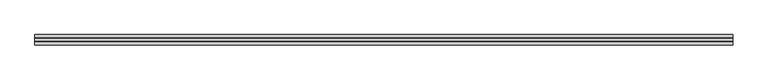
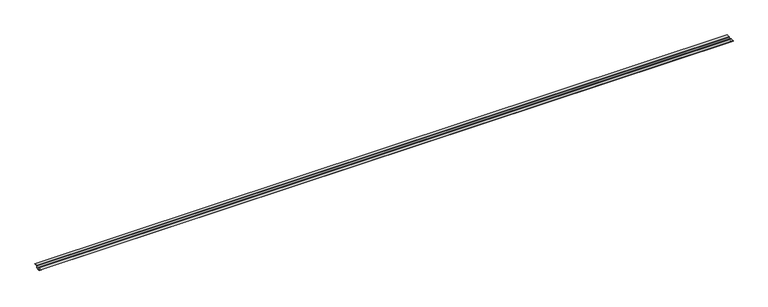
"""IFC4 building model written with IfcOpenShell, lengths in millimetres: proxy geometry."""

from ifc_helpers import new_model, si_unit, point, frame, frame_2d, origin, place, context, project, spatial, polyline, circle_curve, trimmed, segment, composite_curve, outline, extrude, source, transform, mapped, element, save


def generic_models_8d6c43e8(model_context):
    return source(origin(), model_context, "Body", "SweptSolid", [
        extrude(outline(composite_curve([segment(trimmed(circle_curve(frame_2d((-5.6375282, 0.3624718)), 0.6375282), [point((-5.6375282, 1.0))], [point((-5.0, 0.3624718))], False, "CARTESIAN"), True, "CONTINUOUS"), segment(polyline([(-5.0, 0.3624718), (-5.0, -5.4), (5.0, -5.4), (5.0, 0.4101629)]), True, "CONTINUOUS"), segment(trimmed(circle_curve(frame_2d((5.5898371, 0.4101629)), 0.5898371), [point((5.0, 0.4101629))], [point((5.5898371, 1.0))], False, "CARTESIAN"), True, "CONTINUOUS"), segment(polyline([(5.5898371, 1.0), (15.0, 1.0), (15.0, 0.0), (6.0, 0.0), (6.0, -5.7844637)]), True, "CONTINUOUS"), segment(trimmed(circle_curve(frame_2d((5.3844637, -5.7844637)), 0.6155363), [point((6.0, -5.7844637))], [point((5.3844637, -6.4))], False, "CARTESIAN"), True, "CONTINUOUS"), segment(polyline([(5.3844637, -6.4), (-5.3526984, -6.4)]), True, "CONTINUOUS"), segment(trimmed(circle_curve(frame_2d((-5.3526984, -5.7526984)), 0.6473016), [point((-5.3526984, -6.4))], [point((-6.0, -5.7526984))], False, "CARTESIAN"), True, "CONTINUOUS"), segment(polyline([(-6.0, -5.7526984), (-6.0, 0.0), (-15.0, 0.0), (-15.0, 1.0), (-5.6375282, 1.0)]), True, "CONTINUOUS")], self_intersect=False)), frame((0.0, 0.0, 0.0), z_axis=(1.0, 0.0, 0.0), x_axis=(0.0, 1.0, 0.0)), (0.0, 0.0, 1.0), 2000.0),
    ])


if __name__ == "__main__":
    model = new_model("IFC4")
    model_context = context("Model", 3, world=origin())
    ifc_project = project(units=[si_unit("LENGTHUNIT", "METRE", prefix="MILLI")], contexts=[model_context])
    site = spatial("IfcSite", under=ifc_project)
    building = spatial("IfcBuilding", under=site)
    placement = place(None, origin())
    generic_models_shape = generic_models_8d6c43e8(model_context)
    element("IfcBuildingElementProxy", 1, Name="Generic Models", at=placement, inside=building, context=model_context, shape_type="MappedRepresentation", body=[
        mapped(generic_models_shape, transform((0.0, 0.0, 0.0), x_axis=(1.0, 0.0, 0.0), y_axis=(0.0, 1.0, 0.0), z_axis=(0.0, 0.0, 1.0))),
    ])
    save(model, "model.ifc")
